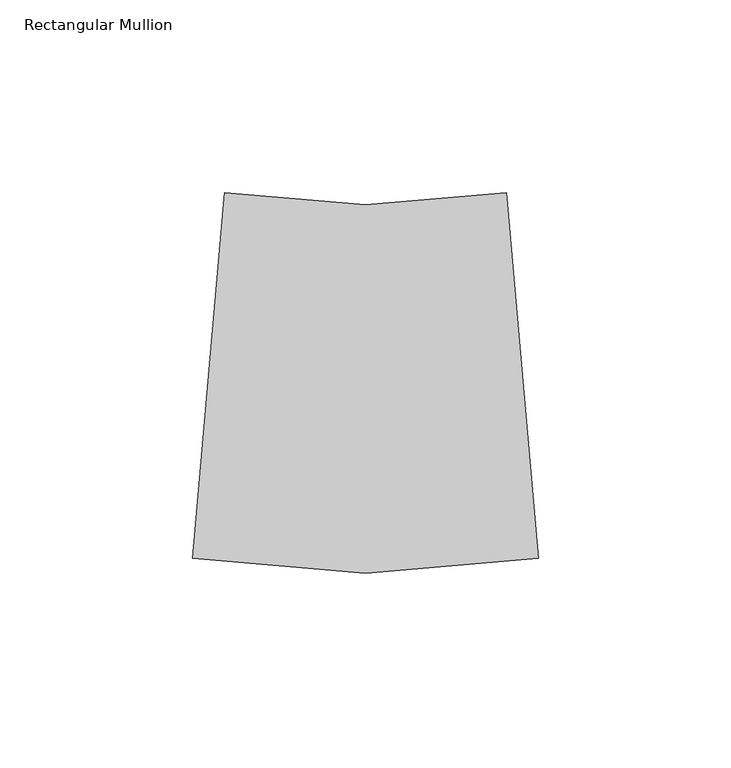
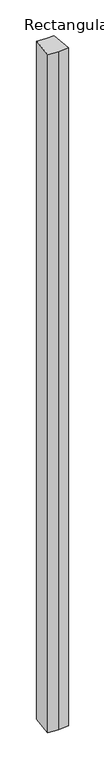
"""IFC4 building model written with IfcOpenShell, lengths in millimetres: member geometry, Rectangular Mullion."""

from ifc_helpers import new_model, si_unit, frame, origin, place, context, project, spatial, polyline, outline, extrude, source, transform, mapped, element, save


def rectangular_mullion_e441712c(model_context):
    return source(origin(), model_context, "Body", "SweptSolid", [
        extrude(outline(polyline([(-89.8234337, -124.1657179), (-81.5218492, -29.2781729), (-44.9117169, -32.4811445), (-8.3015845, -29.2781729), (0.0, -124.1657179), (-44.9117169, -128.094984), (-89.8234337, -124.1657179)])), frame((0.0, 0.0, -3048.0), z_axis=(0.0, 0.0, 1.0), x_axis=(1.0, 0.0, 0.0)), (0.0, 0.0, 1.0), 3048.0),
    ])


if __name__ == "__main__":
    model = new_model("IFC4")
    model_context = context("Model", 3, world=origin())
    ifc_project = project(units=[si_unit("LENGTHUNIT", "METRE", prefix="MILLI")], contexts=[model_context])
    site = spatial("IfcSite", under=ifc_project)
    building = spatial("IfcBuilding", under=site)
    placement = place(None, origin())
    rectangular_mullion_shape = rectangular_mullion_e441712c(model_context)
    element("IfcMember", 1, ObjectType="Rectangular Mullion", at=placement, inside=building, context=model_context, shape_type="MappedRepresentation", body=[
        mapped(rectangular_mullion_shape, transform((0.0, 0.0, 0.0), x_axis=(1.0, 0.0, 0.0), y_axis=(0.0, 1.0, 0.0), z_axis=(0.0, 0.0, 1.0))),
    ])
    save(model, "model.ifc")
